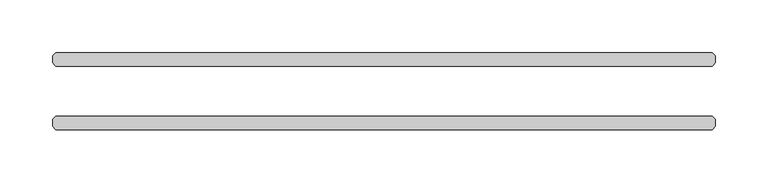
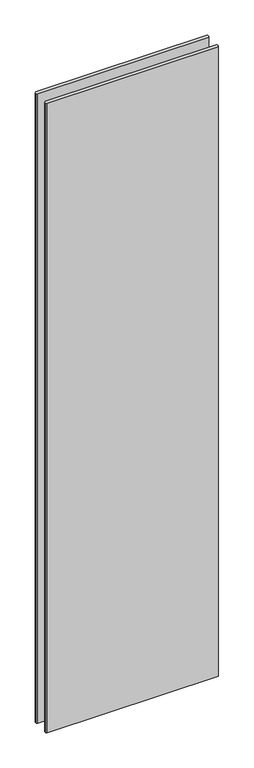
"""IFC4 building model written with IfcOpenShell, lengths in millimetres: plate geometry."""

from ifc_helpers import new_model, si_unit, origin, origin_with_axes, place, context, project, spatial, polyline, outline, extrude, source, transform, mapped, element, save


def plate_27647c48(model_context):
    return source(origin(), model_context, "Body", "SweptSolid", [
        extrude(outline(polyline([(311.546875, -36.5125), (-311.546875, -36.5125), (-314.721875, -33.3375), (-314.721875, -26.9875), (-311.546875, -23.8125), (311.546875, -23.8125), (314.721875, -26.9875), (314.721875, -33.3375), (311.546875, -36.5125)])), origin_with_axes(), (0.0, 0.0, 1.0), 2428.7789267),
        extrude(outline(polyline([(311.546875, 23.8125), (-311.546875, 23.8125), (-314.721875, 26.9875), (-314.721875, 33.3375), (-311.546875, 36.5125), (311.546875, 36.5125), (314.721875, 33.3375), (314.721875, 26.9875), (311.546875, 23.8125)])), origin_with_axes(), (0.0, 0.0, 1.0), 2428.7789267),
    ])


if __name__ == "__main__":
    model = new_model("IFC4")
    model_context = context("Model", 3, world=origin())
    ifc_project = project(units=[si_unit("LENGTHUNIT", "METRE", prefix="MILLI")], contexts=[model_context])
    site = spatial("IfcSite", under=ifc_project)
    building = spatial("IfcBuilding", under=site)
    placement = place(None, origin())
    plate_shape = plate_27647c48(model_context)
    element("IfcPlate", 1, at=placement, inside=building, context=model_context, shape_type="MappedRepresentation", body=[
        mapped(plate_shape, transform((0.0, 0.0, 0.0), x_axis=(1.0, 0.0, 0.0), y_axis=(0.0, 1.0, 0.0), z_axis=(0.0, 0.0, 1.0))),
    ])
    save(model, "model.ifc")
